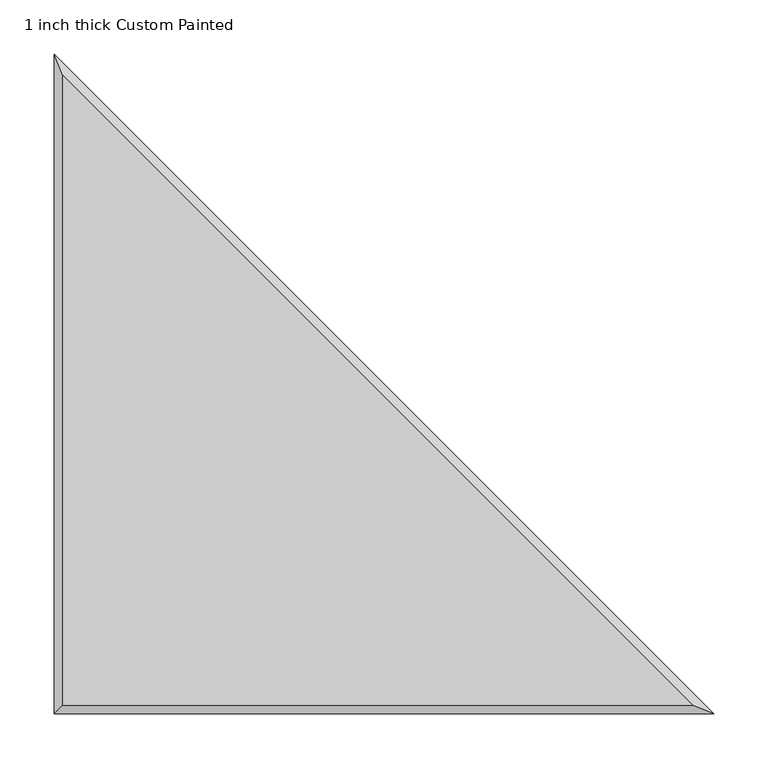
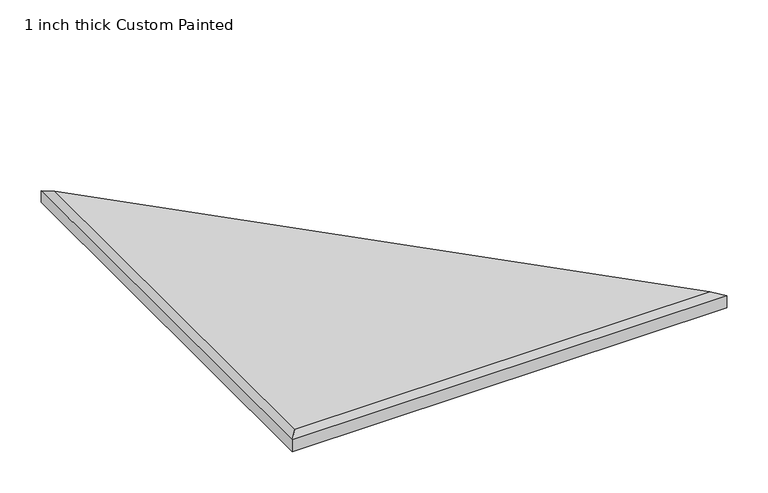
"""IFC4 building model written with IfcOpenShell, lengths in millimetres: proxy geometry, 1 inch thick Custom Painted."""

from ifc_helpers import new_model, si_unit, origin, place, context, project, spatial, faceted_brep, source, transform, mapped, element, save


def proxy_1_inch_thick_custom_painted_a8e9554f(model_context):
    return source(origin(), model_context, "Body", "Brep", [
        faceted_brep([(8.001, 8.001, 25.4), (590.2838773, 8.001, 25.4), (8.001, 590.2838773, 25.4), (0.0, 609.6, 0.0), (609.6, 0.0, 0.0), (0.0, 0.0, 0.0), (0.0, 0.0, 17.399), (0.0, 609.6, 17.399), (609.6, 0.0, 17.399)], [[[0, 1, 2]], [[3, 4, 5]], [[3, 5, 6, 7]], [[5, 4, 8, 6]], [[4, 3, 7, 8]], [[8, 1, 0, 6]], [[1, 8, 7, 2]], [[6, 0, 2, 7]]]),
    ])


if __name__ == "__main__":
    model = new_model("IFC4")
    model_context = context("Model", 3, world=origin())
    ifc_project = project(units=[si_unit("LENGTHUNIT", "METRE", prefix="MILLI")], contexts=[model_context])
    site = spatial("IfcSite", under=ifc_project)
    building = spatial("IfcBuilding", under=site)
    placement = place(None, origin())
    proxy_1_inch_thick_custom_painted_shape = proxy_1_inch_thick_custom_painted_a8e9554f(model_context)
    element("IfcBuildingElementProxy", 1, Name="1 inch thick Custom Painted", ObjectType="1 inch thick Custom Painted", at=placement, inside=building, context=model_context, shape_type="MappedRepresentation", body=[
        mapped(proxy_1_inch_thick_custom_painted_shape, transform((0.0, 0.0, 0.0), x_axis=(1.0, 0.0, 0.0), y_axis=(0.0, 1.0, 0.0), z_axis=(0.0, 0.0, 1.0))),
    ])
    save(model, "model.ifc")
